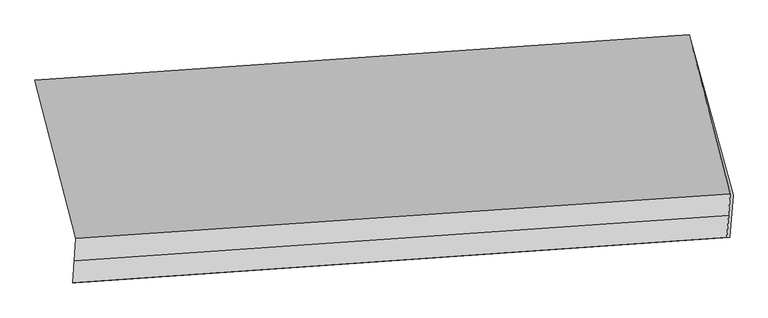
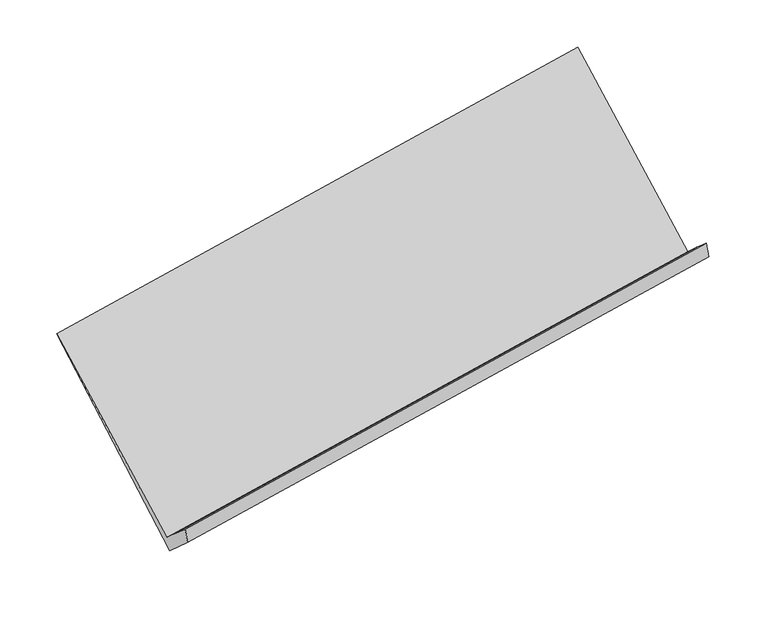
"""IFC4 building model written with IfcOpenShell, lengths in millimetres: proxy geometry."""

from ifc_helpers import new_model, si_unit, frame, origin, place, context, project, spatial, source, transform, mapped, element, save
from ifc_brep_helpers import plane_surface, spline_surface, advanced_brep


def generic_models_ea84c2ba(model_context):
    return source(origin(), model_context, "Body", "AdvancedBrep", [
        advanced_brep(
        [(-5162.6318203, -1723.4771547, 1250.5368561), (-5174.3989769, -1883.3349319, 1390.3930796), (-467.285324, -1557.8374407, 2166.0917307), (-455.7947462, -1401.7370107, 2029.5227317), (-5186.1661336, -2043.1927092, 1530.2493031), (-478.7759017, -1713.9378706, 2302.6607296), (-5164.5533528, -2044.4741429, 1400.7598213), (-457.1631209, -1715.2193043, 2173.1712479), (-5141.9161242, -1736.9455579, 1131.7094988), (-434.7199435, -1410.3269203, 1906.4272825), (-5457.4040244, -581.6056832, 2530.9118022), (-751.4216937, -256.5544839, 3313.6103481)],
        [
            (0, 1),
            (1, 2),
            (2, 3),
            (3, 0),
            (1, 4),
            (4, 5),
            (5, 2),
            (4, 6),
            (6, 7),
            (7, 5),
            (6, 8),
            (8, 9),
            (9, 7),
            (8, 10),
            (10, 11),
            (11, 9),
            (10, 0),
            (3, 11),
        ],
        [
            plane_surface(frame((-5168.5153986, -1803.4060433, 1320.4649678), z_axis=(-0.16665878870063341, 0.6561648392894698, 0.7359840703636609), x_axis=(-0.05531578820496046, -0.7514694655231151, 0.6574449071684012))),
            plane_surface(frame((-5180.2825553, -1963.2638205, 1460.3211913), z_axis=(-0.16665878870063447, 0.6561648392894565, 0.7359840703636725), x_axis=(-0.05531578820487718, -0.7514694655231212, 0.6574449071684014))),
            plane_surface(frame((-5175.3597432, -2043.833426, 1465.5045622), z_axis=(0.06633813106068567, -0.9975773574288134, 0.020944410059033122), x_axis=(0.16462238026210269, -0.009760552267803355, -0.9863083714215688))),
            plane_surface(frame((-5153.2347385, -1890.7098504, 1266.2346601), z_axis=(0.16665878870063439, -0.6561648392894581, -0.735984070363671), x_axis=(0.0553157882048771, 0.7514694655231196, -0.6574449071684031))),
            spline_surface(1, 1, [[(-5141.9161242, -1736.9455579, 1131.7094988), (-434.7199435, -1410.3269203, 1906.4272825)], [(-5457.4040244, -581.6056832, 2530.9118022), (-751.4216937, -256.5544839, 3313.6103481)]], [2, 2], [2, 2], [0.0, 1.0], [0.0, 1.0]),
            plane_surface(frame((-5310.0179223, -1152.5414189, 1890.7243291), z_axis=(-0.05737352964350734, -0.7516155607902241, 0.6571014585847779), x_axis=(0.1693388223298171, -0.655974910577646, -0.735541487575378))),
            plane_surface(frame((-515.5750812, -1299.555118, 2345.078468), z_axis=(0.9840043327278714, 0.07064388918400877, 0.16353872352973256), x_axis=(-0.17146200943612383, 0.6246512379567063, 0.7618474980199653))),
            plane_surface(frame((-5222.534291, -1625.9390496, 1568.8334563), z_axis=(-0.9840043327278714, -0.07064388918401432, -0.16353872352972984), x_axis=(-0.16933882232981862, 0.6559749105776472, 0.7355414875753766))),
        ],
        [
            (0, [[1, 2, 3, 4]]),
            (1, [[5, 6, 7, -2]]),
            (2, [[8, 9, 10, -6]]),
            (3, [[11, 12, 13, -9]]),
            (4, [[14, 15, 16, -12]]),
            (5, [[17, -4, 18, -15]]),
            (6, [[-16, -18, -3, -7, -10, -13]]),
            (7, [[-17, -14, -11, -8, -5, -1]]),
        ],
    ),
    ])


if __name__ == "__main__":
    model = new_model("IFC4")
    model_context = context("Model", 3, world=origin())
    ifc_project = project(units=[si_unit("LENGTHUNIT", "METRE", prefix="MILLI")], contexts=[model_context])
    site = spatial("IfcSite", under=ifc_project)
    building = spatial("IfcBuilding", under=site)
    placement = place(None, origin())
    generic_models_shape = generic_models_ea84c2ba(model_context)
    element("IfcBuildingElementProxy", 1, Name="Generic Models", at=placement, inside=building, context=model_context, shape_type="MappedRepresentation", body=[
        mapped(generic_models_shape, transform((0.0, 0.0, 0.0), x_axis=(1.0, 0.0, 0.0), y_axis=(0.0, 1.0, 0.0), z_axis=(0.0, 0.0, 1.0))),
    ])
    save(model, "model.ifc")
